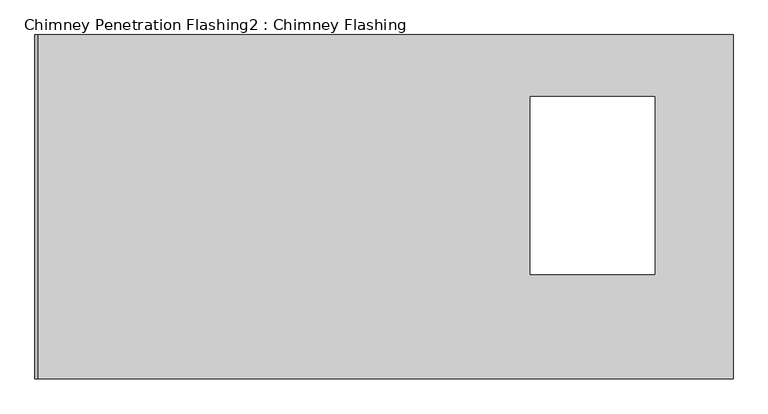
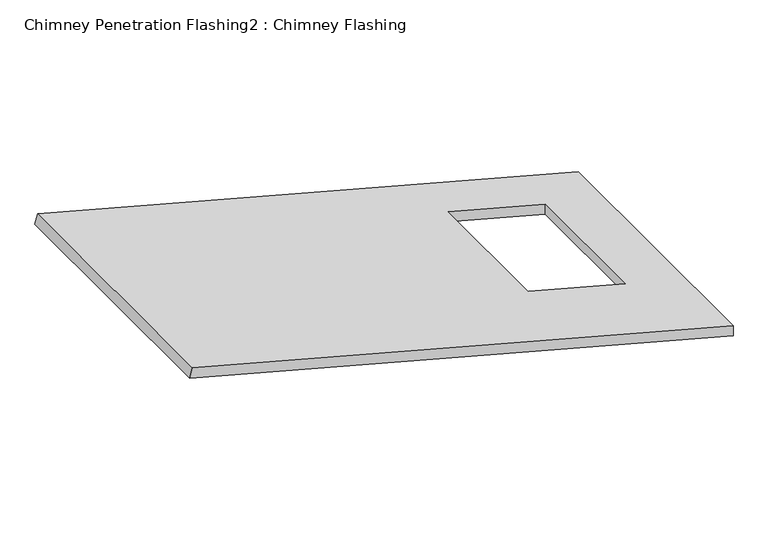
"""IFC4 building model written with IfcOpenShell, lengths in millimetres: proxy geometry, Chimney Penetration Flashing2 : Chimney Flashing."""

from ifc_helpers import new_model, si_unit, origin, place, context, project, spatial, faceted_brep, source, transform, mapped, element, save


def chimney_penetration_flashing2_chimney_flashing_2dd36843(model_context):
    return source(origin(), model_context, "Body", "Brep", [
        faceted_brep([(4034.3633972, -1976.566318, 3407.6723492), (4034.3633972, -1976.566318, 3446.4712036), (2083.8008732, -1976.566318, 3969.1228567), (2074.1011596, -1976.566318, 3932.9230327), (4034.3633972, -1009.2394205, 3407.6723492), (2074.1011596, -1009.2394205, 3932.9230327), (2083.8008732, -1009.2394205, 3969.1228567), (4034.3633972, -1009.2394205, 3446.4712036), (3815.016956, -1182.9266386, 3505.2449054), (3815.016956, -1682.9266386, 3505.2449054), (3465.016956, -1682.9266386, 3599.0271228), (3465.016956, -1182.9266386, 3599.0271228), (3815.016956, -1682.9266386, 3466.446051), (3815.016956, -1182.9266386, 3466.446051), (3465.016956, -1182.9266386, 3560.2282683), (3465.016956, -1682.9266386, 3560.2282683)], [[[0, 1, 2, 3]], [[4, 5, 6, 7]], [[1, 0, 4, 7]], [[2, 1, 7, 6], [8, 9, 10, 11]], [[3, 2, 6, 5]], [[0, 3, 5, 4], [12, 13, 14, 15]], [[12, 9, 8, 13]], [[13, 8, 11, 14]], [[14, 11, 10, 15]], [[9, 12, 15, 10]]]),
    ])


if __name__ == "__main__":
    model = new_model("IFC4")
    model_context = context("Model", 3, world=origin())
    ifc_project = project(units=[si_unit("LENGTHUNIT", "METRE", prefix="MILLI")], contexts=[model_context])
    site = spatial("IfcSite", under=ifc_project)
    building = spatial("IfcBuilding", under=site)
    placement = place(None, origin())
    chimney_penetration_flashing2_chimney_flashing_shape = chimney_penetration_flashing2_chimney_flashing_2dd36843(model_context)
    element("IfcBuildingElementProxy", 1, Name="Chimney Penetration Flashing2 : Chimney Flashing", ObjectType="Chimney Penetration Flashing2 : Chimney Flashing", at=placement, inside=building, context=model_context, shape_type="MappedRepresentation", body=[
        mapped(chimney_penetration_flashing2_chimney_flashing_shape, transform((0.0, 0.0, 0.0), x_axis=(1.0, 0.0, 0.0), y_axis=(0.0, 1.0, 0.0), z_axis=(0.0, 0.0, 1.0))),
    ])
    save(model, "model.ifc")
